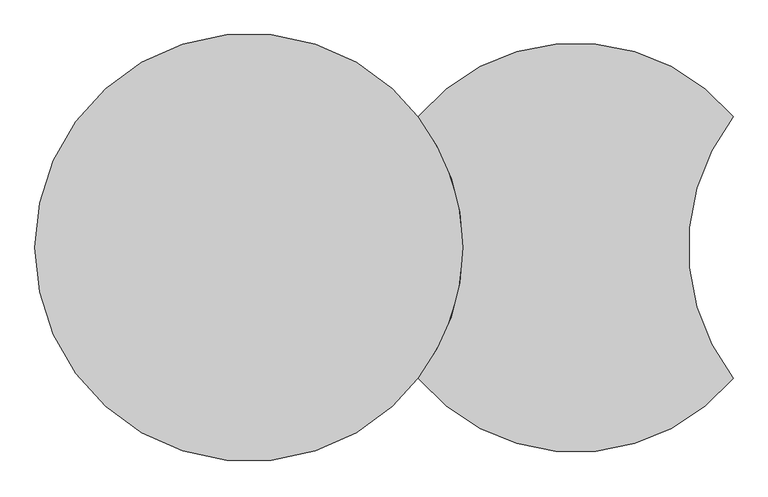
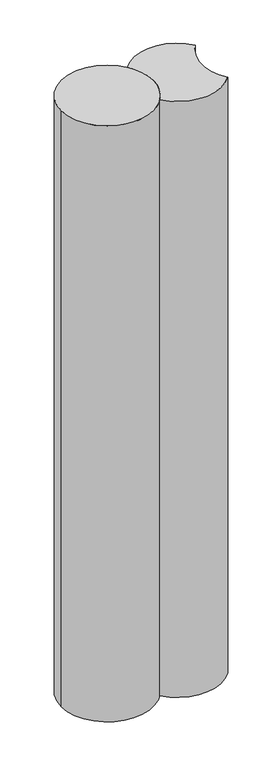
"""IFC4 building model written with IfcOpenShell, lengths in millimetres: proxy geometry."""

from ifc_helpers import new_model, si_unit, point, frame, frame_2d, origin, origin_2d, place, context, project, spatial, circle_curve, trimmed, segment, composite_curve, outline, extrude, source, transform, mapped, element, save


def generic_models_11033ff6(model_context):
    return source(origin(), model_context, "Body", "SweptSolid", [
        extrude(outline(composite_curve([segment(trimmed(circle_curve(frame_2d((702.0, 0.0)), 440.0), [point((363.8205128, 281.4864729))], [point((1040.1794872, 281.4864729))], False, "CARTESIAN"), True, "CONTINUOUS"), segment(trimmed(circle_curve(frame_2d((1404.0, 0.0)), 460.0), [point((1040.1794872, 281.4864729))], [point((1040.1794872, -281.4864729))], True, "CARTESIAN"), True, "CONTINUOUS"), segment(trimmed(circle_curve(frame_2d((702.0, 0.0)), 440.0), [point((1040.1794872, -281.4864729))], [point((363.8205128, -281.4864729))], False, "CARTESIAN"), True, "CONTINUOUS"), segment(trimmed(circle_curve(origin_2d(), 460.0), [point((363.8205128, -281.4864729))], [point((460.0, 0.0))], True, "CARTESIAN"), True, "CONTINUOUS"), segment(trimmed(circle_curve(origin_2d(), 460.0), [point((460.0, 0.0))], [point((363.8205128, 281.4864729))], True, "CARTESIAN"), True, "CONTINUOUS")], self_intersect=False)), frame((0.0, 0.0, -6300.0), z_axis=(0.0, 0.0, 1.0), x_axis=(1.0, 0.0, 0.0)), (0.0, 0.0, 1.0), 6300.0),
        extrude(outline(composite_curve([segment(trimmed(circle_curve(origin_2d(), 460.0), [point((-460.0, 0.0))], [point((460.0, 0.0))], False, "CARTESIAN"), True, "CONTINUOUS"), segment(trimmed(circle_curve(origin_2d(), 460.0), [point((460.0, 0.0))], [point((-460.0, 0.0))], False, "CARTESIAN"), True, "CONTINUOUS")], self_intersect=False)), frame((0.0, 0.0, -6300.0), z_axis=(0.0, 0.0, 1.0), x_axis=(1.0, 0.0, 0.0)), (0.0, 0.0, 1.0), 6300.0),
    ])


if __name__ == "__main__":
    model = new_model("IFC4")
    model_context = context("Model", 3, world=origin())
    ifc_project = project(units=[si_unit("LENGTHUNIT", "METRE", prefix="MILLI")], contexts=[model_context])
    site = spatial("IfcSite", under=ifc_project)
    building = spatial("IfcBuilding", under=site)
    placement = place(None, origin())
    generic_models_shape = generic_models_11033ff6(model_context)
    element("IfcBuildingElementProxy", 1, Name="Generic Models", at=placement, inside=building, context=model_context, shape_type="MappedRepresentation", body=[
        mapped(generic_models_shape, transform((0.0, 0.0, 0.0), x_axis=(1.0, 0.0, 0.0), y_axis=(0.0, 1.0, 0.0), z_axis=(0.0, 0.0, 1.0))),
    ])
    save(model, "model.ifc")
